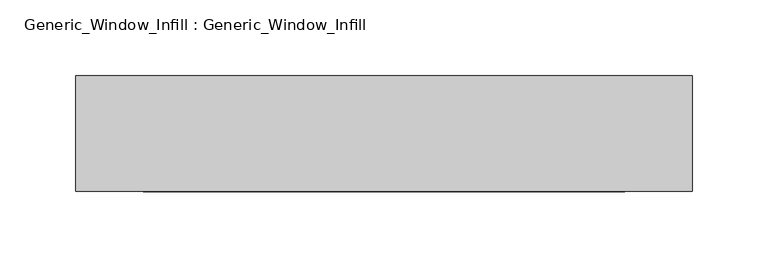
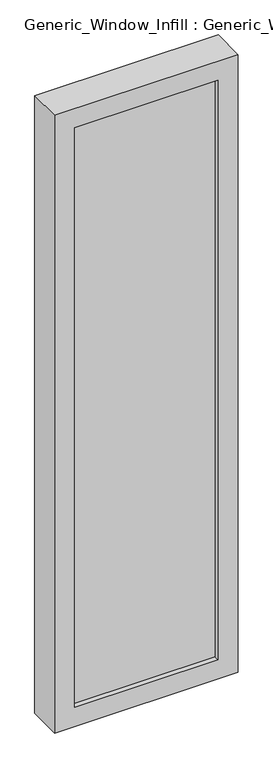
"""IFC4 building model written with IfcOpenShell, lengths in millimetres: plate geometry, Generic_Window_Infill : Generic_Window_Infill."""

from ifc_helpers import new_model, si_unit, frame, origin, place, context, project, spatial, polyline, outline, extrude, source, transform, mapped, element, save


def generic_window_infill_generic_window_infill_2fea26ad(model_context):
    return source(origin(), model_context, "Body", "SweptSolid", [
        extrude(outline(polyline([(158.75, 12.0261239), (-158.75, 12.0261239), (-158.75, 42.4497356), (158.75, 42.4497356), (158.75, 12.0261239)])), frame((0.0, 0.0, 44.45), z_axis=(0.0, 0.0, 1.0), x_axis=(1.0, 0.0, 0.0)), (0.0, 0.0, 1.0), 1355.725),
        extrude(outline(polyline([(1444.625, 203.2), (1444.625, -203.2), (0.0, -203.2), (0.0, 203.2), (1444.625, 203.2)]), holes=[polyline([(44.45, 158.75), (44.45, -158.75), (1400.175, -158.75), (1400.175, 158.75), (44.45, 158.75)])]), frame((0.0, 0.0, 0.0), z_axis=(0.0, 1.0, 0.0), x_axis=(0.0, 0.0, 1.0)), (0.0, 0.0, 1.0), 76.2),
    ])


if __name__ == "__main__":
    model = new_model("IFC4")
    model_context = context("Model", 3, world=origin())
    ifc_project = project(units=[si_unit("LENGTHUNIT", "METRE", prefix="MILLI")], contexts=[model_context])
    site = spatial("IfcSite", under=ifc_project)
    building = spatial("IfcBuilding", under=site)
    placement = place(None, origin())
    generic_window_infill_generic_window_infill_shape = generic_window_infill_generic_window_infill_2fea26ad(model_context)
    element("IfcPlate", 1, ObjectType="Generic_Window_Infill : Generic_Window_Infill", at=placement, inside=building, context=model_context, shape_type="MappedRepresentation", body=[
        mapped(generic_window_infill_generic_window_infill_shape, transform((0.0, 0.0, 0.0), x_axis=(1.0, 0.0, 0.0), y_axis=(0.0, 1.0, 0.0), z_axis=(0.0, 0.0, 1.0))),
    ])
    save(model, "model.ifc")
